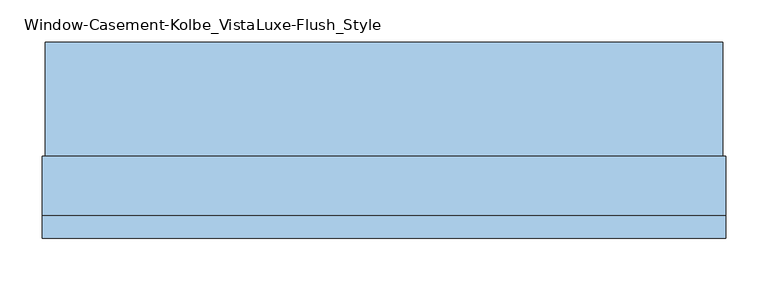
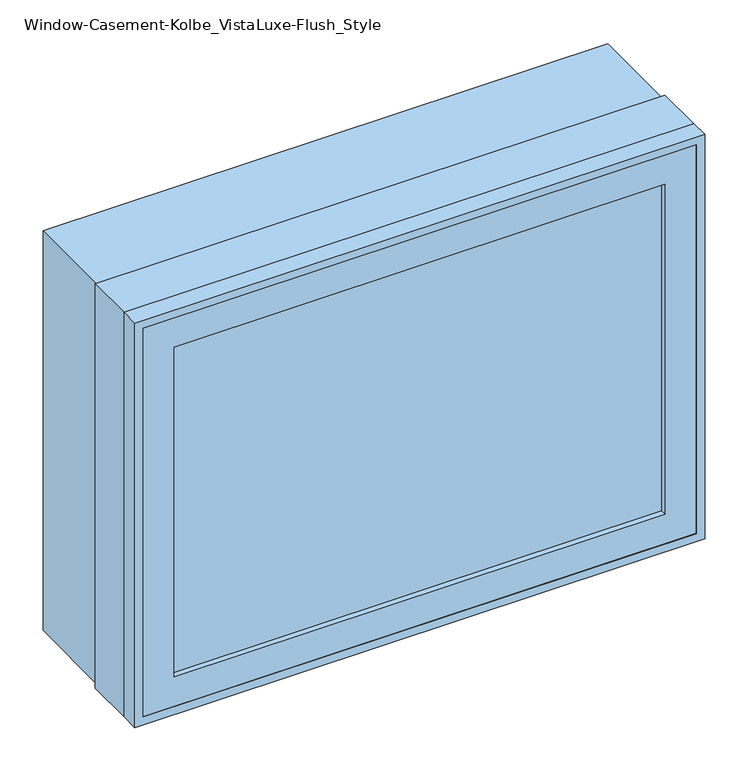
"""IFC4 building model written with IfcOpenShell, lengths in millimetres: window geometry, Window-Casement-Kolbe_VistaLuxe-Flush_Style."""

from ifc_helpers import new_model, si_unit, frame, origin, place, context, project, spatial, polyline, outline, extrude, faceted_brep, source, transform, mapped, element, save


def window_casement_kolbe_vistaluxe_flush_style_a19fff80(model_context):
    return source(origin(), model_context, "Body", "SolidModel", [
        faceted_brep([(-355.6696599, -121.37898, 970.676875), (-355.6696599, -129.31648, 970.676875), (344.5765901, -129.31648, 970.676875), (344.5765901, -121.37898, 970.676875), (-371.5446599, -99.12858, 954.801875), (-371.5446599, -121.37898, 954.801875), (360.4515901, -121.37898, 954.801875), (360.4515901, -99.12858, 954.801875), (-355.6696599, -80.10398, 970.676875), (-355.6696599, -99.12858, 970.676875), (344.5765901, -99.12858, 970.676875), (344.5765901, -80.10398, 970.676875), (-400.1196599, -129.31648, 926.226875), (-400.1196599, -80.10398, 926.226875), (389.0265901, -80.10398, 926.226875), (389.0265901, -129.31648, 926.226875), (344.5765901, -129.31648, 1467.723125), (344.5765901, -121.37898, 1467.723125), (360.4515901, -121.37898, 1483.598125), (360.4515901, -99.12858, 1483.598125), (344.5765901, -99.12858, 1467.723125), (344.5765901, -80.10398, 1467.723125), (389.0265901, -80.10398, 1512.173125), (389.0265901, -129.31648, 1512.173125), (-355.6696599, -129.31648, 1467.723125), (-355.6696599, -121.37898, 1467.723125), (-371.5446599, -121.37898, 1483.598125), (-371.5446599, -99.12858, 1483.598125), (-355.6696599, -99.12858, 1467.723125), (-355.6696599, -80.10398, 1467.723125), (-400.1196599, -80.10398, 1512.173125), (-400.1196599, -129.31648, 1512.173125)], [[[0, 1, 2, 3]], [[4, 5, 6, 7]], [[8, 9, 10, 11]], [[12, 13, 14, 15]], [[3, 2, 16, 17]], [[7, 6, 18, 19]], [[11, 10, 20, 21]], [[15, 14, 22, 23]], [[17, 16, 24, 25]], [[19, 18, 26, 27]], [[21, 20, 28, 29]], [[23, 22, 30, 31]], [[25, 24, 1, 0]], [[5, 26, 18, 6], [3, 17, 25, 0]], [[27, 26, 5, 4]], [[7, 19, 27, 4], [9, 28, 20, 10]], [[29, 28, 9, 8]], [[13, 30, 22, 14], [11, 21, 29, 8]], [[31, 30, 13, 12]], [[15, 23, 31, 12], [1, 24, 16, 2]]]),
        extrude(outline(polyline([(1520.4186, 397.2720651), (1520.4186, -408.3651349), (917.9814, -408.3651349), (917.9814, 397.2720651), (1520.4186, 397.2720651)]), holes=[polyline([(936.545625, 378.7078401), (936.545625, -389.8009099), (1501.854375, -389.8009099), (1501.854375, 378.7078401), (936.545625, 378.7078401)])]), frame((0.0, -32.5247, 0.0), z_axis=(0.0, 1.0, 0.0), x_axis=(0.0, 0.0, 1.0)), (0.0, 0.0, 1.0), 135.7122),
        extrude(outline(polyline([(1524.0, -411.9465349), (914.4, -411.9465349), (914.4, 400.8534651), (1524.0, 400.8534651), (1524.0, -411.9465349)]), holes=[polyline([(1512.173125, 389.0265901), (926.226875, 389.0265901), (926.226875, -400.1196599), (1512.173125, -400.1196599), (1512.173125, 389.0265901)])]), frame((0.0, -130.1115, 0.0), z_axis=(0.0, 1.0, 0.0), x_axis=(0.0, 0.0, 1.0)), (0.0, 0.0, 1.0), 26.924),
        faceted_brep([(400.8534651, -32.5247, 914.4), (400.8534651, -103.1875, 914.4), (-411.9465349, -103.1875, 914.4), (-411.9465349, -32.5247, 914.4), (378.7078401, -80.10525, 936.545625), (378.7078401, -32.5247, 936.545625), (-389.8009099, -32.5247, 936.545625), (-389.8009099, -80.10525, 936.545625), (389.0265901, -103.1875, 926.226875), (389.0265901, -80.10525, 926.226875), (-400.1196599, -80.10525, 926.226875), (-400.1196599, -103.1875, 926.226875), (-411.9465349, -103.1875, 1524.0), (-411.9465349, -32.5247, 1524.0), (-389.8009099, -32.5247, 1501.854375), (-389.8009099, -80.10525, 1501.854375), (-400.1196599, -80.10525, 1512.173125), (-400.1196599, -103.1875, 1512.173125), (400.8534651, -103.1875, 1524.0), (400.8534651, -32.5247, 1524.0), (378.7078401, -32.5247, 1501.854375), (378.7078401, -80.10525, 1501.854375), (389.0265901, -80.10525, 1512.173125), (389.0265901, -103.1875, 1512.173125)], [[[0, 1, 2, 3]], [[4, 5, 6, 7]], [[8, 9, 10, 11]], [[3, 2, 12, 13]], [[7, 6, 14, 15]], [[11, 10, 16, 17]], [[13, 12, 18, 19]], [[15, 14, 20, 21]], [[17, 16, 22, 23]], [[19, 18, 1, 0]], [[3, 13, 19, 0], [5, 20, 14, 6]], [[21, 20, 5, 4]], [[9, 22, 16, 10], [7, 15, 21, 4]], [[23, 22, 9, 8]], [[1, 18, 12, 2], [11, 17, 23, 8]]]),
        extrude(outline(polyline([(357.2765901, -102.30358), (-368.3696599, -102.30358), (-368.3696599, -99.12858), (357.2765901, -99.12858), (357.2765901, -102.30358)])), frame((0.0, 0.0, 957.976875), z_axis=(0.0, 0.0, 1.0), x_axis=(1.0, 0.0, 0.0)), (0.0, 0.0, 1.0), 522.44625),
        extrude(outline(polyline([(357.2765901, -118.20398), (357.2765901, -121.37898), (-368.3696599, -121.37898), (-368.3696599, -118.20398), (357.2765901, -118.20398)])), frame((0.0, 0.0, 957.976875), z_axis=(0.0, 0.0, 1.0), x_axis=(1.0, 0.0, 0.0)), (0.0, 0.0, 1.0), 522.44625),
        extrude(outline(polyline([(936.545625, 378.7078401), (1501.854375, 378.7078401), (1501.854375, -389.8009099), (936.545625, -389.8009099), (936.545625, 378.7078401)]), holes=[polyline([(954.801875, -371.5446599), (1483.598125, -371.5446599), (1483.598125, 360.4515901), (954.801875, 360.4515901), (954.801875, -371.5446599)])]), frame((0.0, -80.10525, 0.0), z_axis=(0.0, 1.0, 0.0), x_axis=(0.0, 0.0, 1.0)), (0.0, 0.0, 1.0), 50.8),
    ])


if __name__ == "__main__":
    model = new_model("IFC4")
    model_context = context("Model", 3, world=origin())
    ifc_project = project(units=[si_unit("LENGTHUNIT", "METRE", prefix="MILLI")], contexts=[model_context])
    site = spatial("IfcSite", under=ifc_project)
    building = spatial("IfcBuilding", under=site)
    placement = place(None, origin())
    window_casement_kolbe_vistaluxe_flush_style_shape = window_casement_kolbe_vistaluxe_flush_style_a19fff80(model_context)
    element("IfcWindow", 1, ObjectType="Window-Casement-Kolbe_VistaLuxe-Flush_Style", at=placement, inside=building, context=model_context, shape_type="MappedRepresentation", body=[
        mapped(window_casement_kolbe_vistaluxe_flush_style_shape, transform((0.0, 0.0, 0.0), x_axis=(1.0, 0.0, 0.0), y_axis=(0.0, 1.0, 0.0), z_axis=(0.0, 0.0, 1.0))),
    ])
    save(model, "model.ifc")
